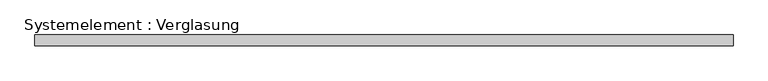
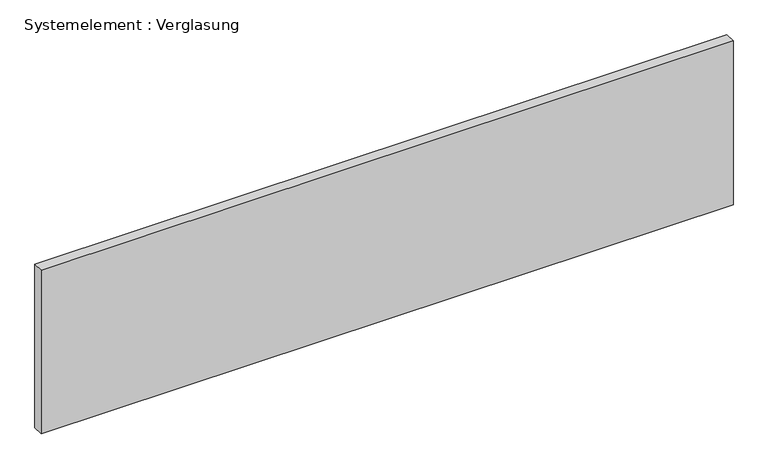
"""IFC4 building model written with IfcOpenShell, lengths in millimetres: plate geometry, Systemelement : Verglasung."""

from ifc_helpers import new_model, si_unit, origin, origin_with_axes, place, context, project, spatial, polyline, outline, extrude, source, transform, mapped, element, save


def systemelement_verglasung_ddd547df(model_context):
    return source(origin(), model_context, "Body", "SweptSolid", [
        extrude(outline(polyline([(980.0, -15.0), (-980.0, -15.0), (-980.0, 15.0), (980.0, 15.0), (980.0, -15.0)])), origin_with_axes(), (0.0, 0.0, 1.0), 490.0),
    ])


if __name__ == "__main__":
    model = new_model("IFC4")
    model_context = context("Model", 3, world=origin())
    ifc_project = project(units=[si_unit("LENGTHUNIT", "METRE", prefix="MILLI")], contexts=[model_context])
    site = spatial("IfcSite", under=ifc_project)
    building = spatial("IfcBuilding", under=site)
    placement = place(None, origin())
    systemelement_verglasung_shape = systemelement_verglasung_ddd547df(model_context)
    element("IfcPlate", 1, ObjectType="Systemelement : Verglasung", at=placement, inside=building, context=model_context, shape_type="MappedRepresentation", body=[
        mapped(systemelement_verglasung_shape, transform((0.0, 0.0, 0.0), x_axis=(1.0, 0.0, 0.0), y_axis=(0.0, 1.0, 0.0), z_axis=(0.0, 0.0, 1.0))),
    ])
    save(model, "model.ifc")
